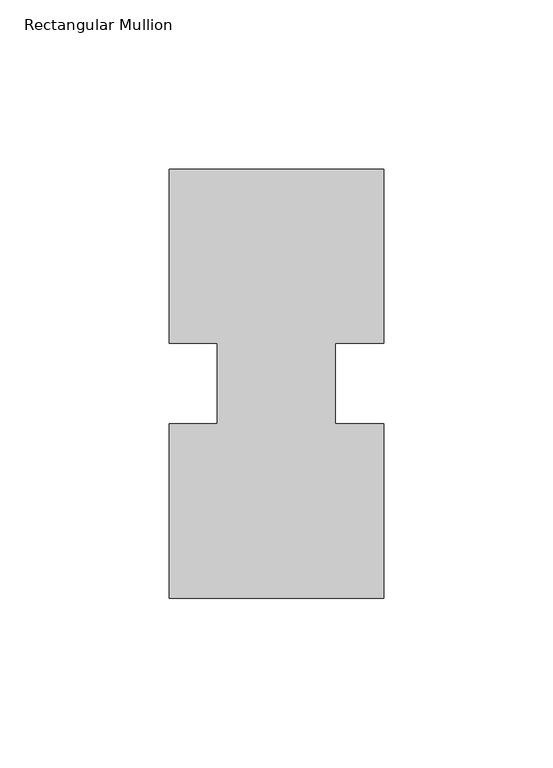
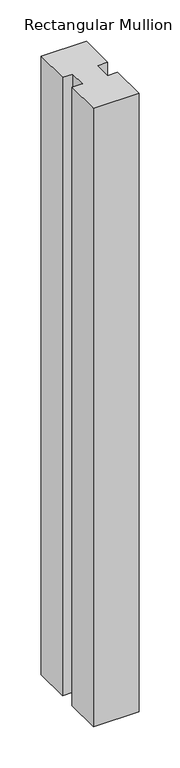
"""IFC4 building model written with IfcOpenShell, lengths in millimetres: member geometry, Rectangular Mullion."""

from ifc_helpers import new_model, si_unit, frame, origin, place, context, project, spatial, polyline, outline, extrude, source, transform, mapped, element, save


def rectangular_mullion_6cfe4dc7(model_context):
    return source(origin(), model_context, "Body", "SweptSolid", [
        extrude(outline(polyline([(-31.75, 127.00635), (31.75, 127.00635), (31.75, 75.40625), (17.4625, 75.40625), (17.4625, 51.60645), (31.75, 51.60645), (31.75, 0.00635), (-31.75, 0.00635), (-31.75, 51.60645), (-17.4625, 51.60645), (-17.4625, 75.40625), (-31.75, 75.40625), (-31.75, 127.00635)])), frame((0.0, 0.0, -914.4), z_axis=(0.0, 0.0, 1.0), x_axis=(1.0, 0.0, 0.0)), (0.0, 0.0, 1.0), 914.4),
    ])


if __name__ == "__main__":
    model = new_model("IFC4")
    model_context = context("Model", 3, world=origin())
    ifc_project = project(units=[si_unit("LENGTHUNIT", "METRE", prefix="MILLI")], contexts=[model_context])
    site = spatial("IfcSite", under=ifc_project)
    building = spatial("IfcBuilding", under=site)
    placement = place(None, origin())
    rectangular_mullion_shape = rectangular_mullion_6cfe4dc7(model_context)
    element("IfcMember", 1, ObjectType="Rectangular Mullion", at=placement, inside=building, context=model_context, shape_type="MappedRepresentation", body=[
        mapped(rectangular_mullion_shape, transform((0.0, 0.0, 0.0), x_axis=(1.0, 0.0, 0.0), y_axis=(0.0, 1.0, 0.0), z_axis=(0.0, 0.0, 1.0))),
    ])
    save(model, "model.ifc")
